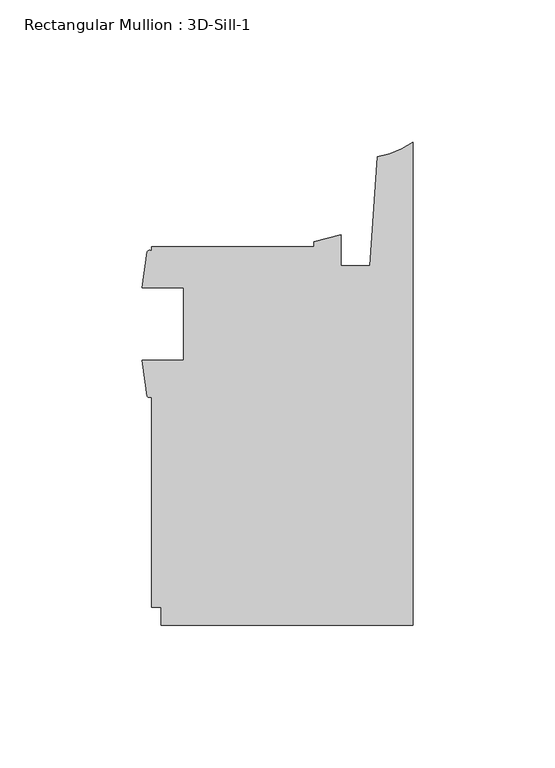
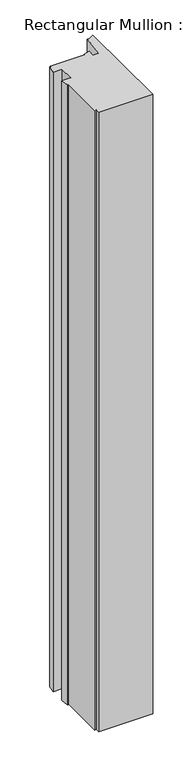
"""IFC4 building model written with IfcOpenShell, lengths in millimetres: member geometry, Rectangular Mullion : 3D-Sill-1."""

from ifc_helpers import new_model, si_unit, point, frame, frame_2d, origin, place, context, project, spatial, polyline, circle_curve, trimmed, segment, composite_curve, outline, extrude, source, transform, mapped, element, save


def rectangular_mullion_3d_sill_1_7eef48cf(model_context):
    return source(origin(), model_context, "Body", "SweptSolid", [
        extrude(outline(composite_curve([segment(trimmed(circle_curve(frame_2d((-92.9068292, 1.9651676)), 1.065983), [point((-92.075127, 1.2983909))], [point((-93.7385314, 1.2983909))], False, "CARTESIAN"), True, "CONTINUOUS"), segment(polyline([(-93.7385314, 1.2983909), (-95.5946487, 14.0714437), (-80.962627, 14.0714437), (-80.962627, 39.4714437), (-95.471127, 39.4714437), (-93.6610233, 52.2427313)]), True, "CONTINUOUS"), segment(trimmed(circle_curve(frame_2d((-92.8705885, 51.8025367)), 0.9047422), [point((-93.6610233, 52.2427313))], [point((-92.075127, 52.2335812))], False, "CARTESIAN"), True, "CONTINUOUS"), segment(polyline([(-92.075127, 52.2335812), (-92.075127, 53.9749687), (-34.925, 53.9749687), (-34.925, 55.706233), (-25.4, 58.1484157), (-25.4, 47.3577987), (-15.24, 47.3577987), (-12.5900978, 85.6123565)]), True, "CONTINUOUS"), segment(trimmed(circle_curve(frame_2d((-16.4585191, 112.6416656)), 27.3047292), [point((-12.5900978, 85.6123565))], [point((0.0, 90.8548488))], True, "CARTESIAN"), True, "CONTINUOUS"), segment(polyline([(0.0, 90.8548488), (0.0, -79.3749687), (-88.899973, -79.3749687), (-88.899973, -73.0250313), (-92.075127, -73.0250313), (-92.075127, 1.2983909)]), True, "CONTINUOUS")], self_intersect=False)), frame((0.0, 0.0, -1080.1019351), z_axis=(0.0, 0.0, 1.0), x_axis=(1.0, 0.0, 0.0)), (0.0, 0.0, 1.0), 1080.1019351),
    ])


if __name__ == "__main__":
    model = new_model("IFC4")
    model_context = context("Model", 3, world=origin())
    ifc_project = project(units=[si_unit("LENGTHUNIT", "METRE", prefix="MILLI")], contexts=[model_context])
    site = spatial("IfcSite", under=ifc_project)
    building = spatial("IfcBuilding", under=site)
    placement = place(None, origin())
    rectangular_mullion_3d_sill_1_shape = rectangular_mullion_3d_sill_1_7eef48cf(model_context)
    element("IfcMember", 1, ObjectType="Rectangular Mullion : 3D-Sill-1", at=placement, inside=building, context=model_context, shape_type="MappedRepresentation", body=[
        mapped(rectangular_mullion_3d_sill_1_shape, transform((0.0, 0.0, 0.0), x_axis=(1.0, 0.0, 0.0), y_axis=(0.0, 1.0, 0.0), z_axis=(0.0, 0.0, 1.0))),
    ])
    save(model, "model.ifc")
